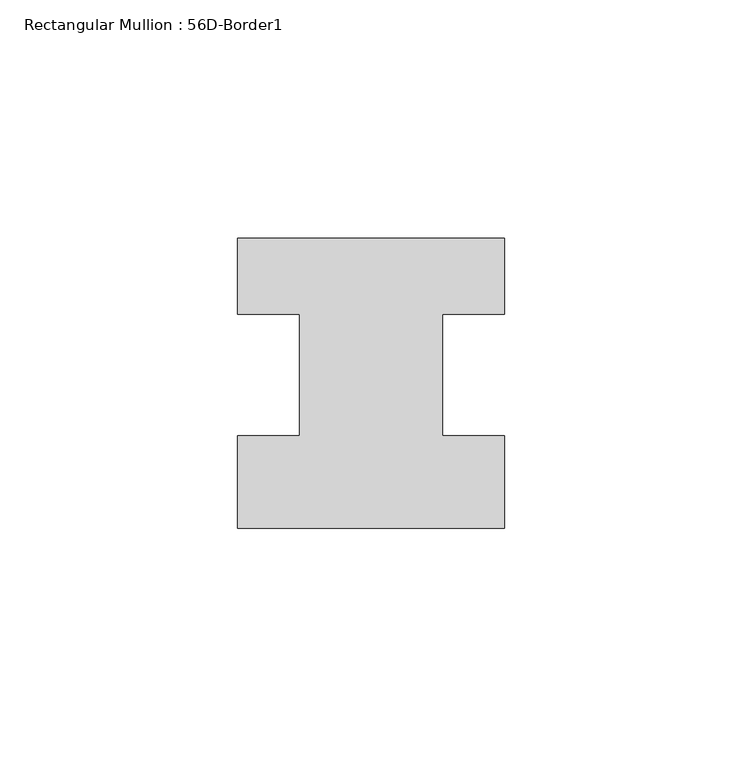
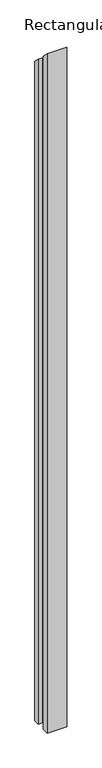
"""IFC4 building model written with IfcOpenShell, lengths in millimetres: member geometry, Rectangular Mullion : 56D-Border1."""

from ifc_helpers import new_model, si_unit, origin, place, context, project, spatial, faceted_brep, source, transform, mapped, element, save


def rectangular_mullion_56d_border1_cb8df64b(model_context):
    return source(origin(), model_context, "Body", "Brep", [
        faceted_brep([(-56.0, -20.0, -2044.0), (-56.0, -0.5, -2044.0), (-43.0, -0.5, -2044.0), (-43.0, 25.0, -2044.0), (-56.0, 25.0, -2044.0), (-56.0, 41.0, -2044.0), (0.0, 41.0, -2044.0), (0.0, 25.0, -2044.0), (-13.0, 25.0, -2044.0), (-13.0, -0.5, -2044.0), (0.0, -0.5, -2044.0), (0.0, -20.0, -2044.0), (0.0, -20.0, 20.0), (-56.0, -20.0, 20.0), (0.0, -0.5, 0.5), (-13.0, -0.5, 0.5), (-13.0, 25.0, -25.0), (0.0, 25.0, -25.0), (0.0, 41.0, -41.0), (-56.0, 41.0, -41.0), (-56.0, 25.0, -25.0), (-43.0, 25.0, -25.0), (-43.0, -0.5, 0.5), (-56.0, -0.5, 0.5)], [[[0, 1, 2, 3, 4, 5, 6, 7, 8, 9, 10, 11]], [[12, 13, 0, 11]], [[14, 12, 11, 10]], [[15, 14, 10, 9]], [[16, 15, 9, 8]], [[17, 16, 8, 7]], [[18, 17, 7, 6]], [[19, 18, 6, 5]], [[20, 19, 5, 4]], [[21, 20, 4, 3]], [[22, 21, 3, 2]], [[23, 22, 2, 1]], [[13, 23, 1, 0]], [[13, 12, 14, 15, 16, 17, 18, 19, 20, 21, 22, 23]]]),
    ])


if __name__ == "__main__":
    model = new_model("IFC4")
    model_context = context("Model", 3, world=origin())
    ifc_project = project(units=[si_unit("LENGTHUNIT", "METRE", prefix="MILLI")], contexts=[model_context])
    site = spatial("IfcSite", under=ifc_project)
    building = spatial("IfcBuilding", under=site)
    placement = place(None, origin())
    rectangular_mullion_56d_border1_shape = rectangular_mullion_56d_border1_cb8df64b(model_context)
    element("IfcMember", 1, ObjectType="Rectangular Mullion : 56D-Border1", at=placement, inside=building, context=model_context, shape_type="MappedRepresentation", body=[
        mapped(rectangular_mullion_56d_border1_shape, transform((0.0, 0.0, 0.0), x_axis=(1.0, 0.0, 0.0), y_axis=(0.0, 1.0, 0.0), z_axis=(0.0, 0.0, 1.0))),
    ])
    save(model, "model.ifc")
